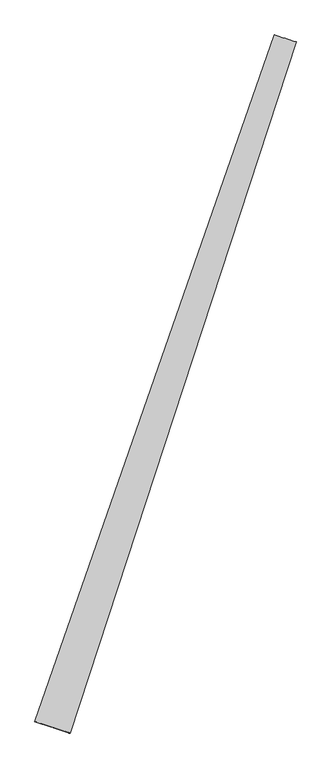
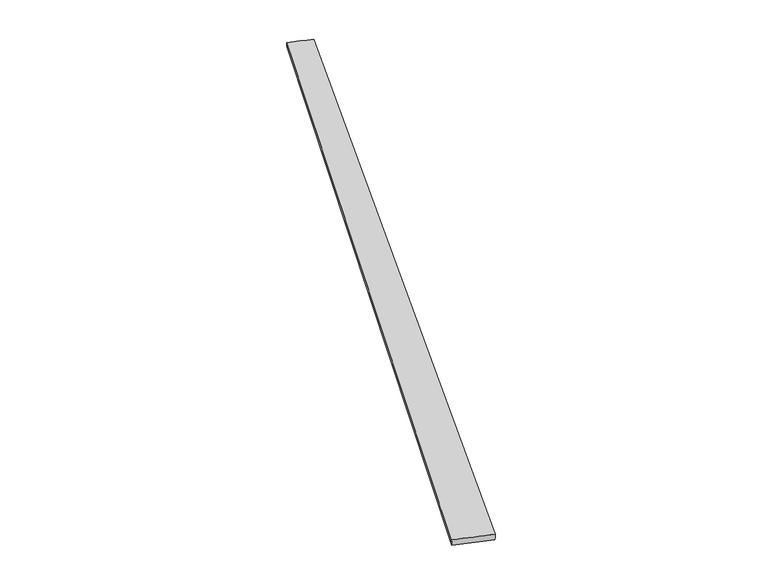
"""IFC4 building model written with IfcOpenShell, lengths in millimetres: proxy geometry."""

from ifc_helpers import new_model, si_unit, origin, place, context, project, spatial, source, transform, mapped, element, save
from ifc_brep_helpers import spline_surface, advanced_brep


def generic_models_56ff3d60(model_context):
    return source(origin(), model_context, "Body", "AdvancedBrep", [
        advanced_brep(
        [(-665.4664139, -1685.8482487, -0.2413995), (-667.5992337, -1685.1088364, 29.6735525), (659.4703307, 2116.4830943, 30.3232915), (661.4165325, 2115.8088193, 0.3940808), (-472.4742585, -1748.5197387, 30.1709667), (780.5631932, 2077.2463681, 29.5256908), (-474.4280321, -1747.8848728, 0.2413874), (778.4779136, 2077.9243022, -0.3940688)],
        [
            (0, 1),
            (1, 2),
            (2, 3),
            (3, 0),
            (1, 4),
            (4, 5),
            (5, 2),
            (4, 6),
            (6, 7),
            (7, 5),
            (6, 0),
            (3, 7),
        ],
        [
            spline_surface(1, 1, [[(-665.4664139, -1685.8482487, -0.2413995), (661.4165325, 2115.8088193, 0.3940808)], [(-667.5992337, -1685.1088364, 29.6735525), (659.4703307, 2116.4830943, 30.3232915)]], [2, 2], [2, 2], [0.0, 1.0], [0.0, 1.0]),
            spline_surface(1, 1, [[(-667.5992337, -1685.1088364, 29.6735525), (659.4703307, 2116.4830943, 30.3232915)], [(-472.4742585, -1748.5197387, 30.1709667), (780.5631932, 2077.2463681, 29.5256908)]], [2, 2], [2, 2], [0.0, 1.0], [0.0, 1.0]),
            spline_surface(1, 1, [[(-472.4742585, -1748.5197387, 30.1709667), (780.5631932, 2077.2463681, 29.5256908)], [(-474.4280321, -1747.8848728, 0.2413874), (778.4779136, 2077.9243022, -0.3940688)]], [2, 2], [2, 2], [0.0, 1.0], [0.0, 1.0]),
            spline_surface(1, 1, [[(-474.4280321, -1747.8848728, 0.2413874), (778.4779136, 2077.9243022, -0.3940688)], [(-665.4664139, -1685.8482487, -0.2413995), (661.4165325, 2115.8088193, 0.3940808)]], [2, 2], [2, 2], [0.0, 1.0], [0.0, 1.0]),
            spline_surface(1, 1, [[(659.4703307, 2116.4830943, 30.3232915), (661.4165325, 2115.8088193, 0.3940808)], [(780.5631932, 2077.2463681, 29.5256908), (778.4779136, 2077.9243022, -0.3940688)]], [2, 2], [2, 2], [0.0, 1.0], [0.0, 1.0]),
            spline_surface(1, 1, [[(-474.4280321, -1747.8848728, 0.2413874), (-665.4664139, -1685.8482487, -0.2413995)], [(-472.4742585, -1748.5197387, 30.1709667), (-667.5992337, -1685.1088364, 29.6735525)]], [2, 2], [2, 2], [0.0, 1.0], [0.0, 1.0]),
        ],
        [
            (0, [[1, 2, 3, 4]]),
            (1, [[5, 6, 7, -2]]),
            (2, [[8, 9, 10, -6]]),
            (3, [[11, -4, 12, -9]]),
            (4, [[-3, -7, -10, -12]]),
            (5, [[-11, -8, -5, -1]]),
        ],
    ),
    ])


if __name__ == "__main__":
    model = new_model("IFC4")
    model_context = context("Model", 3, world=origin())
    ifc_project = project(units=[si_unit("LENGTHUNIT", "METRE", prefix="MILLI")], contexts=[model_context])
    site = spatial("IfcSite", under=ifc_project)
    building = spatial("IfcBuilding", under=site)
    placement = place(None, origin())
    generic_models_shape = generic_models_56ff3d60(model_context)
    element("IfcBuildingElementProxy", 1, Name="Generic Models", at=placement, inside=building, context=model_context, shape_type="MappedRepresentation", body=[
        mapped(generic_models_shape, transform((0.0, 0.0, 0.0), x_axis=(1.0, 0.0, 0.0), y_axis=(0.0, 1.0, 0.0), z_axis=(0.0, 0.0, 1.0))),
    ])
    save(model, "model.ifc")
